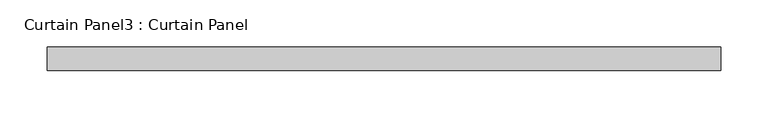
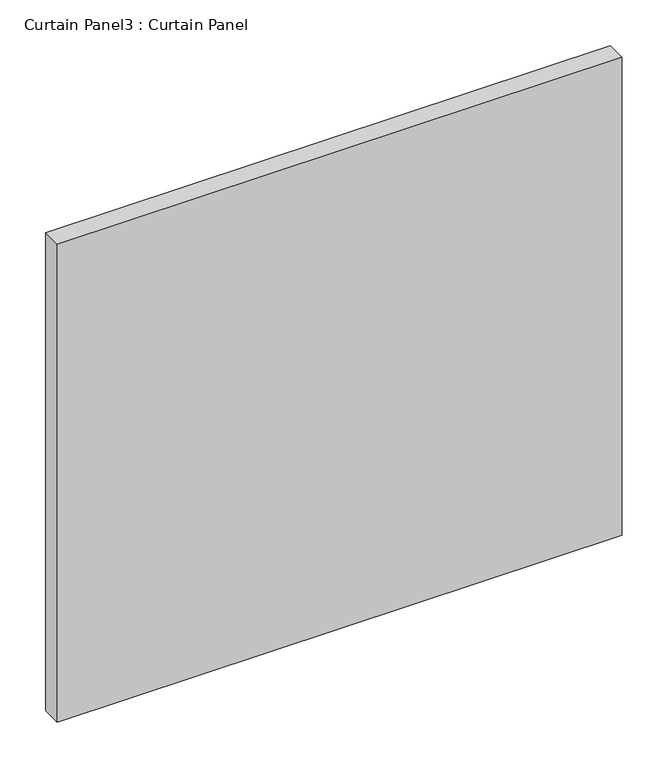
"""IFC4 building model written with IfcOpenShell, lengths in millimetres: plate geometry, Curtain Panel3 : Curtain Panel."""

import ifcopenshell
import ifcopenshell.guid

model = None  # the IFC model being written
_history = None  # IfcOwnerHistory: only IFC2X3 demands one
_inside = {}  # id of a spatial element -> (the spatial element, [elements in it])
_under = {}  # id of a project, library or spatial element -> (it, [spatial elements below it])
_declared = {}  # id of a project -> (the project, [libraries it declares])
_typed = {}  # id of a type object -> (the type object, [elements of that type])
_made_of = {}  # id of a material, layer set ... -> (it, [elements and type objects made of it])


def new_model(schema):
    """Start an empty IFC model of exactly this schema.

    Asked for "IFC4X3", IfcOpenShell would pick the latest addendum, in which some entities
    have other attributes; the version numbers below select the first issue.
    IFC2X3 requires an IfcOwnerHistory on every rooted entity: one is made here for all.
    """
    global model, _history
    if schema == "IFC4X3":
        model = ifcopenshell.file(schema_version=(4, 3, 0, 0))
    else:
        model = ifcopenshell.file(schema=schema)
    _inside.clear()
    _under.clear()
    _declared.clear()
    _typed.clear()
    _made_of.clear()
    _history = None
    if model.schema == "IFC2X3":
        org = make("IfcOrganization", Name="unknown")
        user = make(
            "IfcPersonAndOrganization",
            ThePerson=make("IfcPerson", FamilyName="unknown"),
            TheOrganization=org,
        )
        app = make(
            "IfcApplication",
            ApplicationDeveloper=org,
            Version="unknown",
            ApplicationFullName="unknown",
            ApplicationIdentifier="unknown",
        )
        _history = make(
            "IfcOwnerHistory",
            OwningUser=user,
            OwningApplication=app,
            ChangeAction="ADDED",
            CreationDate=0,
        )
    return model


def make(cls, **values):
    """One entity of the class cls with the attributes given. An attribute that is None is left unset."""
    return model.create_entity(
        cls, **{name: value for name, value in values.items() if value is not None}
    )


def rooted(cls, **values):
    """An entity with a GlobalId (a new one), such as an element, a storey or a relation."""
    return make(cls, GlobalId=ifcopenshell.guid.new(), OwnerHistory=_history, **values)


def si_unit(unit_type, name, prefix=None):
    """IfcSIUnit, for example si_unit("LENGTHUNIT", "METRE", prefix="MILLI")."""
    return make("IfcSIUnit", UnitType=unit_type, Prefix=prefix, Name=name)


def assignment(units):
    """IfcUnitAssignment: the units of a project."""
    return None if units is None else make("IfcUnitAssignment", Units=units)


def point(xyz):
    """IfcCartesianPoint."""
    return None if xyz is None else make("IfcCartesianPoint", Coordinates=xyz)


def direction(xyz):
    """IfcDirection."""
    return None if xyz is None else make("IfcDirection", DirectionRatios=xyz)


def frame(location, z_axis=None, x_axis=None):
    """IfcAxis2Placement3D, a coordinate frame: its origin and axes. An axis left out is left unset."""
    return make(
        "IfcAxis2Placement3D",
        Location=point(location),
        Axis=direction(z_axis),
        RefDirection=direction(x_axis),
    )


def origin():
    """The frame at (0, 0, 0) with its axes left unset."""
    return frame((0.0, 0.0, 0.0))


def place(relative_to, where):
    """IfcLocalPlacement: puts the frame where relative to a parent placement (None: the world)."""
    return make(
        "IfcLocalPlacement", PlacementRelTo=relative_to, RelativePlacement=where
    )


def context(
    kind, dimensions, precision=None, world=None, true_north=None, identifier=None
):
    """IfcGeometricRepresentationContext, for example the 3D "Model" context."""
    return make(
        "IfcGeometricRepresentationContext",
        ContextIdentifier=identifier,
        ContextType=kind,
        CoordinateSpaceDimension=dimensions,
        Precision=precision,
        WorldCoordinateSystem=world,
        TrueNorth=true_north,
    )


def project(units=None, contexts=None):
    """IfcProject with its units and contexts."""
    return rooted(
        "IfcProject",
        Name="project",
        RepresentationContexts=contexts,
        UnitsInContext=assignment(units),
    )


def spatial(cls, under=None, at=None, **own):
    """A site, building, storey or space (cls), placed at a placement, below another one or the project."""
    s = rooted(cls, ObjectPlacement=at, **own)
    if under is not None:
        _under.setdefault(under.id(), (under, []))[1].append(s)
    return s


def polyline(points):
    """IfcPolyline through the points."""
    return make("IfcPolyline", Points=[point(p) for p in points])


def outline(outer, holes=None, kind="AREA"):
    """IfcArbitraryClosedProfileDef: a profile drawn as a closed curve; with holes, ...WithVoids."""
    if holes is None:
        return make("IfcArbitraryClosedProfileDef", ProfileType=kind, OuterCurve=outer)
    return make(
        "IfcArbitraryProfileDefWithVoids",
        ProfileType=kind,
        OuterCurve=outer,
        InnerCurves=holes,
    )


def extrude(swept, where, along, depth):
    """IfcExtrudedAreaSolid: the profile swept, set in the frame where, extruded along a direction by depth."""
    return make(
        "IfcExtrudedAreaSolid",
        SweptArea=swept,
        Position=where,
        ExtrudedDirection=direction(along),
        Depth=depth,
    )


def shape(context_of_items, identifier, shape_type, items):
    """IfcShapeRepresentation: the items that make up one representation, for example the "Body"."""
    return make(
        "IfcShapeRepresentation",
        ContextOfItems=context_of_items,
        RepresentationIdentifier=identifier,
        RepresentationType=shape_type,
        Items=items,
    )


def source(mapping_origin, context_of_items, identifier, shape_type, items):
    """IfcRepresentationMap: a shape defined once, which mapped items show again and again."""
    return make(
        "IfcRepresentationMap",
        MappingOrigin=mapping_origin,
        MappedRepresentation=shape(context_of_items, identifier, shape_type, items),
    )


def transform(
    local_origin,
    x_axis=None,
    y_axis=None,
    z_axis=None,
    scale=None,
    scale2=None,
    scale3=None,
    uniform=True,
):
    """IfcCartesianTransformationOperator3D, or its non-uniform kind. x_axis, y_axis, z_axis: its Axis1, 2, 3."""
    if uniform:
        return make(
            "IfcCartesianTransformationOperator3D",
            Axis1=direction(x_axis),
            Axis2=direction(y_axis),
            LocalOrigin=point(local_origin),
            Scale=scale,
            Axis3=direction(z_axis),
        )
    return make(
        "IfcCartesianTransformationOperator3DnonUniform",
        Axis1=direction(x_axis),
        Axis2=direction(y_axis),
        LocalOrigin=point(local_origin),
        Scale=scale,
        Axis3=direction(z_axis),
        Scale2=scale2,
        Scale3=scale3,
    )


def mapped(mapping_source, mapping_target):
    """IfcMappedItem: shows the shape of a source again, moved by a transform."""
    return make(
        "IfcMappedItem", MappingSource=mapping_source, MappingTarget=mapping_target
    )


def made_of(thing, what):
    """Note that an element or type object is made of a material, layer set ...; save() writes the relation."""
    if what is not None:
        _made_of.setdefault(what.id(), (what, []))[1].append(thing)
    return thing


def element(
    cls,
    number,
    at=None,
    inside=None,
    cuts=None,
    type_object=None,
    material=None,
    context=None,
    identifier="Body",
    shape_type=None,
    held_by="IfcProductDefinitionShape",
    body=None,
    shapes=None,
    **own,
):
    """One element of the class cls, such as IfcWall. Its Tag is "e" and its number.

    at: its placement. inside: the storey or other place that contains it. cuts: it is an
    opening in that element (IfcRelVoidsElement). A single representation is given by context,
    identifier, shape_type and body (its items); several are given by shapes. held_by: the class
    of the entity that holds the representations. save() writes the other relations.
    """
    e = rooted(cls, Tag="e%d" % number, ObjectPlacement=at, **own)
    if body is not None:
        shapes = [shape(context, identifier, shape_type, body)]
    if shapes is not None:
        e.Representation = make(held_by, Representations=shapes)
    if inside is not None:
        _inside.setdefault(inside.id(), (inside, []))[1].append(e)
    if cuts is not None:
        rooted(
            "IfcRelVoidsElement", RelatingBuildingElement=cuts, RelatedOpeningElement=e
        )
    if type_object is not None:
        _typed.setdefault(type_object.id(), (type_object, []))[1].append(e)
    return made_of(e, material)


def aggregate(whole, parts):
    """IfcRelAggregates: a whole, such as a stair, and the parts it consists of."""
    return rooted("IfcRelAggregates", RelatingObject=whole, RelatedObjects=parts)


def save(model, path):
    """Write the relations noted so far, then the file.

    IfcRelAggregates (storeys below a building ...), IfcRelContainedInSpatialStructure (elements
    in a storey), IfcRelDefinesByType, IfcRelAssociatesMaterial and IfcRelDeclares: one each for
    every whole, place, type object, material and project.
    """
    for whole, parts in _under.values():
        aggregate(whole, parts)
    for where, things in _inside.values():
        rooted(
            "IfcRelContainedInSpatialStructure",
            RelatedElements=things,
            RelatingStructure=where,
        )
    for kind, things in _typed.values():
        rooted("IfcRelDefinesByType", RelatedObjects=things, RelatingType=kind)
    for what, things in _made_of.values():
        rooted("IfcRelAssociatesMaterial", RelatedObjects=things, RelatingMaterial=what)
    for by, libraries in _declared.values():
        rooted("IfcRelDeclares", RelatingContext=by, RelatedDefinitions=libraries)
    model.write(path)


def curtain_panel3_curtain_panel_a9bcce47(model_context):
    return source(origin(), model_context, "Body", "SweptSolid", [
        extrude(outline(polyline([(4709.5292464, 3568.3617926), (3993.7000264, 3568.3617926), (3993.7000264, 3593.7617926), (4709.5292464, 3593.7617926), (4709.5292464, 3568.3617926)])), frame((0.0, 0.0, 1352.1319583), z_axis=(0.0, 0.0, 1.0), x_axis=(1.0, 0.0, 0.0)), (0.0, 0.0, 1.0), 640.0694167),
    ])


if __name__ == "__main__":
    model = new_model("IFC4")
    model_context = context("Model", 3, world=origin())
    ifc_project = project(units=[si_unit("LENGTHUNIT", "METRE", prefix="MILLI")], contexts=[model_context])
    site = spatial("IfcSite", under=ifc_project)
    building = spatial("IfcBuilding", under=site)
    placement = place(None, origin())
    curtain_panel3_curtain_panel_shape = curtain_panel3_curtain_panel_a9bcce47(model_context)
    element("IfcPlate", 1, ObjectType="Curtain Panel3 : Curtain Panel", at=placement, inside=building, context=model_context, shape_type="MappedRepresentation", body=[
        mapped(curtain_panel3_curtain_panel_shape, transform((0.0, 0.0, 0.0), x_axis=(1.0, 0.0, 0.0), y_axis=(0.0, 1.0, 0.0), z_axis=(0.0, 0.0, 1.0))),
    ])
    save(model, "model.ifc")
